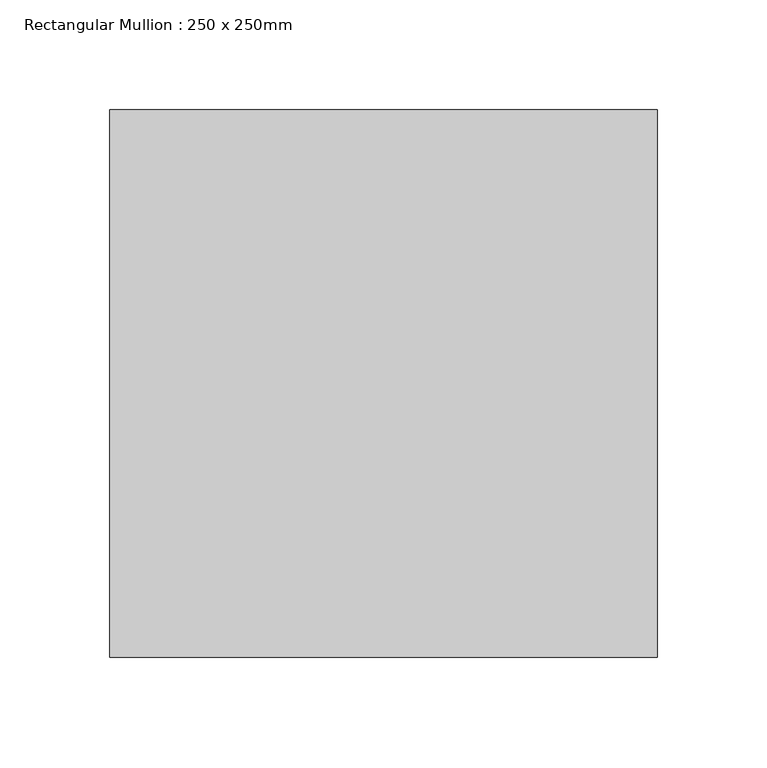
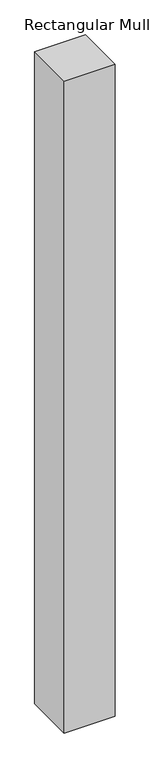
"""IFC4 building model written with IfcOpenShell, lengths in millimetres: member geometry, Rectangular Mullion : 250 x 250mm."""

from ifc_helpers import new_model, si_unit, frame, origin, place, context, project, spatial, polyline, outline, extrude, source, transform, mapped, element, save


def rectangular_mullion_250_x_250mm_9a0c66a7(model_context):
    return source(origin(), model_context, "Body", "SweptSolid", [
        extrude(outline(polyline([(0.0, 125.0), (0.0, -125.0), (-250.0, -125.0), (-250.0, 125.0), (0.0, 125.0)])), frame((0.0, 0.0, -3382.3091877), z_axis=(0.0, 0.0, 1.0), x_axis=(1.0, 0.0, 0.0)), (0.0, 0.0, 1.0), 3382.3091877),
    ])


if __name__ == "__main__":
    model = new_model("IFC4")
    model_context = context("Model", 3, world=origin())
    ifc_project = project(units=[si_unit("LENGTHUNIT", "METRE", prefix="MILLI")], contexts=[model_context])
    site = spatial("IfcSite", under=ifc_project)
    building = spatial("IfcBuilding", under=site)
    placement = place(None, origin())
    rectangular_mullion_250_x_250mm_shape = rectangular_mullion_250_x_250mm_9a0c66a7(model_context)
    element("IfcMember", 1, ObjectType="Rectangular Mullion : 250 x 250mm", at=placement, inside=building, context=model_context, shape_type="MappedRepresentation", body=[
        mapped(rectangular_mullion_250_x_250mm_shape, transform((0.0, 0.0, 0.0), x_axis=(1.0, 0.0, 0.0), y_axis=(0.0, 1.0, 0.0), z_axis=(0.0, 0.0, 1.0))),
    ])
    save(model, "model.ifc")
